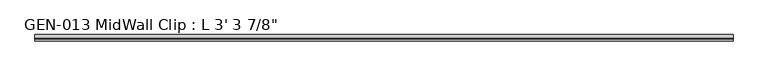
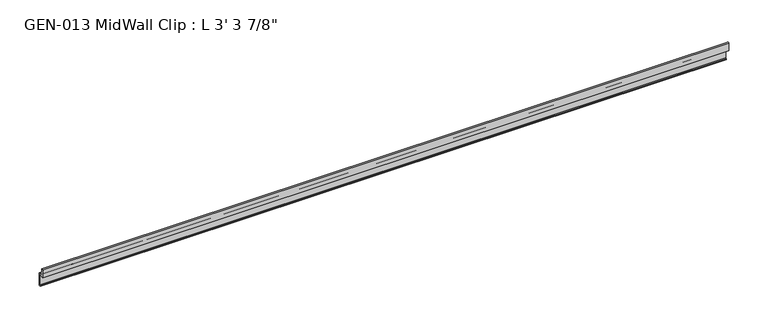
"""IFC4 building model written with IfcOpenShell, lengths in millimetres: proxy geometry."""

from ifc_helpers import new_model, si_unit, point, frame, frame_2d, origin, place, context, project, spatial, polyline, circle_curve, trimmed, segment, composite_curve, outline, extrude, source, transform, mapped, element, save


def proxy_7c2ab215(model_context):
    return source(origin(), model_context, "Body", "SweptSolid", [
        extrude(outline(composite_curve([segment(trimmed(circle_curve(frame_2d((1.9177, 1.1238237)), 1.27), [point((3.1877, 1.1238237))], [point((1.9177, 2.3938237))], True, "CARTESIAN"), True, "CONTINUOUS"), segment(polyline([(1.9177, 2.3938237), (-4.7625, 2.3938237), (-4.7625, 14.4786268)]), True, "CONTINUOUS"), segment(trimmed(circle_curve(frame_2d((-3.5698235, 13.3878692)), 1.6162393), [point((-4.7625, 14.4786268))], [point((-2.4411308, 14.5447106))], False, "CARTESIAN"), True, "CONTINUOUS"), segment(polyline([(-2.4411308, 14.5447106), (-0.630157, 3.9686237), (4.7625, 3.9686237), (4.7625, -15.0559763), (1.6129, -15.0559763), (1.6129, -13.4811763), (3.1877, -13.4811763), (3.1877, 1.1238237)]), True, "CONTINUOUS")], self_intersect=False)), frame((0.0, 0.0, 0.0), z_axis=(1.0, 0.0, 0.0), x_axis=(0.0, 1.0, 0.0)), (0.0, 0.0, 1.0), 1012.825),
    ])


if __name__ == "__main__":
    model = new_model("IFC4")
    model_context = context("Model", 3, world=origin())
    ifc_project = project(units=[si_unit("LENGTHUNIT", "METRE", prefix="MILLI")], contexts=[model_context])
    site = spatial("IfcSite", under=ifc_project)
    building = spatial("IfcBuilding", under=site)
    placement = place(None, origin())
    proxy_shape = proxy_7c2ab215(model_context)
    element("IfcBuildingElementProxy", 1, Name="GEN-013 MidWall Clip : L 3' 3 7/8\"", ObjectType="GEN-013 MidWall Clip : L 3' 3 7/8\"", at=placement, inside=building, context=model_context, shape_type="MappedRepresentation", body=[
        mapped(proxy_shape, transform((0.0, 0.0, 0.0), x_axis=(1.0, 0.0, 0.0), y_axis=(0.0, 1.0, 0.0), z_axis=(0.0, 0.0, 1.0))),
    ])
    save(model, "model.ifc")
